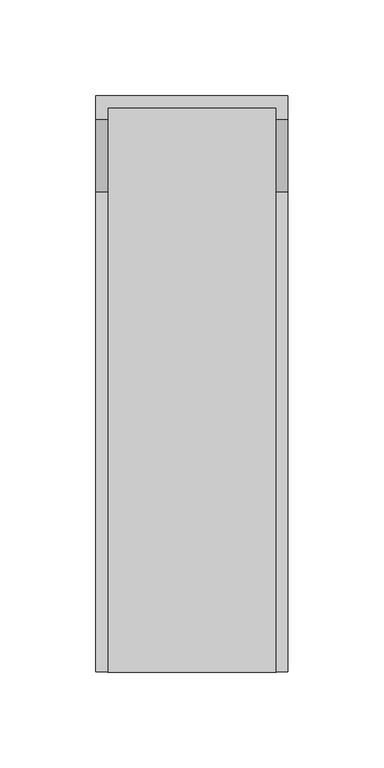
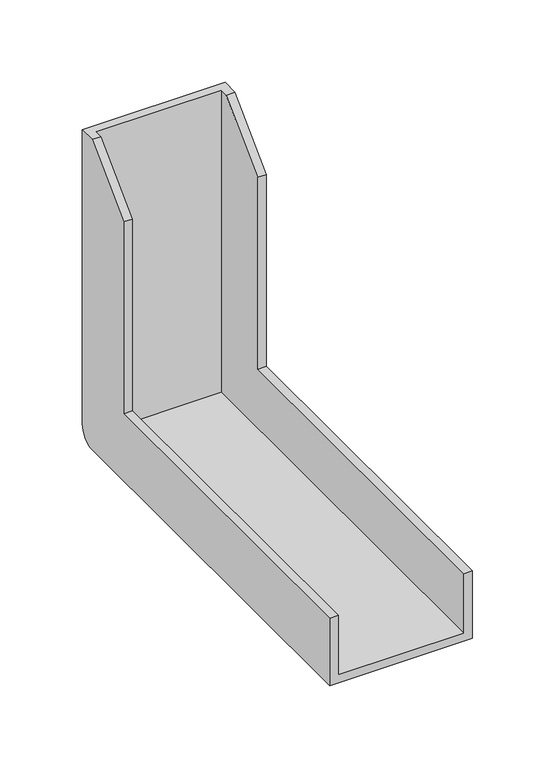
"""IFC4 building model written with IfcOpenShell, lengths in millimetres: proxy geometry."""

from ifc_helpers import new_model, si_unit, frame, origin, place, context, project, spatial, circle_curve, source, transform, mapped, element, save
from ifc_brep_helpers import plane_surface, cylinder_surface, advanced_brep


def specialty_equipment_5f6c42d9(model_context):
    return source(origin(), model_context, "Body", "AdvancedBrep", [
        advanced_brep(
        [(50.0, 288.0, 230.0), (50.0, 250.0, 192.0), (50.0, 250.0, 50.0), (50.0, 0.0, 50.0), (50.0, 0.0, 0.0), (50.0, 288.0, 0.0), (50.0, 300.0, 12.0), (50.0, 300.0, 230.0), (-50.0, 288.0, 230.0), (-50.0, 300.0, 230.0), (-50.0, 300.0, 12.0), (-50.0, 288.0, 0.0), (-50.0, 0.0, 0.0), (-50.0, 0.0, 50.0), (-50.0, 250.0, 50.0), (-50.0, 250.0, 192.0), (44.0, 250.0, 192.0), (44.0, 250.0, 50.0), (-44.0, 250.0, 50.0), (-44.0, 250.0, 192.0), (44.0, 0.0, 50.0), (-44.0, 0.0, 50.0), (44.0, 0.0, 6.0), (-44.0, 0.0, 6.0), (-44.0, 288.0, 230.0), (-44.0, 294.0, 230.0), (44.0, 294.0, 230.0), (44.0, 288.0, 230.0), (44.0, 294.0, 6.0), (-44.0, 294.0, 6.0)],
        [
            (0, 1),
            (1, 2),
            (2, 3),
            (3, 4),
            (4, 5),
            (5, 6, circle_curve(frame((50.0, 288.0, 12.0), z_axis=(1.0, 0.0, 0.0), x_axis=(0.0, 1.0, 0.0)), 12.0)),
            (6, 7),
            (7, 0),
            (8, 9),
            (9, 10),
            (10, 11, circle_curve(frame((-50.0, 288.0, 12.0), z_axis=(-1.0, 0.0, 0.0), x_axis=(0.0, 1.0, 0.0)), 12.0)),
            (11, 12),
            (12, 13),
            (13, 14),
            (14, 15),
            (15, 8),
            (1, 16),
            (16, 17),
            (17, 2),
            (14, 18),
            (18, 19),
            (19, 15),
            (17, 20),
            (20, 3),
            (13, 21),
            (21, 18),
            (20, 22),
            (22, 23),
            (23, 21),
            (12, 4),
            (11, 5),
            (10, 6),
            (9, 7),
            (8, 24),
            (24, 25),
            (25, 26),
            (26, 27),
            (27, 0),
            (28, 29),
            (29, 23),
            (22, 28),
            (28, 26),
            (25, 29),
            (24, 19),
            (16, 27),
        ],
        [
            plane_surface(frame((50.0, 288.0, 230.0), z_axis=(1.0, 0.0, 0.0), x_axis=(0.0, -0.7071067811865481, -0.7071067811865469))),
            plane_surface(frame((-50.0, 288.0, 230.0), z_axis=(-1.0, 0.0, 0.0), x_axis=(0.0, 0.7071067811865481, 0.7071067811865469))),
            plane_surface(frame((50.0, 250.0, 192.0), z_axis=(0.0, -1.0, 0.0), x_axis=(-1.0, 0.0, 0.0))),
            plane_surface(frame((50.0, 250.0, 50.0), z_axis=(0.0, 0.0, 1.0), x_axis=(-1.0, 0.0, 0.0))),
            plane_surface(frame((50.0, 0.0, 50.0), z_axis=(0.0, -1.0, 0.0), x_axis=(-1.0, 0.0, 0.0))),
            plane_surface(frame((50.0, 0.0, 0.0), z_axis=(0.0, 0.0, -1.0), x_axis=(-1.0, 0.0, 0.0))),
            cylinder_surface(frame((-50.0, 288.0, 12.0), z_axis=(1.0, 0.0, 0.0), x_axis=(0.0, 1.0, 0.0)), 12.0),
            plane_surface(frame((50.0, 300.0, 12.0), z_axis=(0.0, 1.0, 0.0), x_axis=(-1.0, 0.0, 0.0))),
            plane_surface(frame((50.0, 300.0, 230.0), z_axis=(0.0, 0.0, 1.0), x_axis=(-1.0, 0.0, 0.0))),
            plane_surface(frame((-30.3824594, 294.0, 6.0), z_axis=(0.0, 0.0, 1.0), x_axis=(1.0, 0.0, 0.0))),
            plane_surface(frame((44.0, 294.0, 230.0), z_axis=(0.0, -1.0, 0.0), x_axis=(0.0, 0.0, -1.0))),
            plane_surface(frame((-44.0, 294.0, 230.0), z_axis=(1.0, 0.0, 0.0), x_axis=(0.0, 0.0, -1.0))),
            plane_surface(frame((44.0, 0.0, 230.0), z_axis=(-1.0, 0.0, 0.0), x_axis=(0.0, 0.0, -1.0))),
            plane_surface(frame((50.0, 288.0, 230.0), z_axis=(0.0, -0.7071067811865469, 0.7071067811865481), x_axis=(-1.0, 0.0, 0.0))),
        ],
        [
            (0, [[1, 2, 3, 4, 5, 6, 7, 8]]),
            (1, [[9, 10, 11, 12, 13, 14, 15, 16]]),
            (2, [[-2, 17, 18, 19]]),
            (2, [[-15, 20, 21, 22]]),
            (3, [[-3, -19, 23, 24]]),
            (3, [[-14, 25, 26, -20]]),
            (4, [[-4, -24, 27, 28, 29, -25, -13, 30]]),
            (5, [[-5, -30, -12, 31]]),
            (6, [[-6, -31, -11, 32]]),
            (7, [[-7, -32, -10, 33]]),
            (8, [[-8, -33, -9, 34, 35, 36, 37, 38]]),
            (9, [[39, 40, -28, 41]]),
            (10, [[-39, 42, -36, 43]]),
            (11, [[-40, -43, -35, 44, -21, -26, -29]]),
            (12, [[-41, -27, -23, -18, 45, -37, -42]]),
            (13, [[-1, -38, -45, -17]]),
            (13, [[-16, -22, -44, -34]]),
        ],
    ),
    ])


if __name__ == "__main__":
    model = new_model("IFC4")
    model_context = context("Model", 3, world=origin())
    ifc_project = project(units=[si_unit("LENGTHUNIT", "METRE", prefix="MILLI")], contexts=[model_context])
    site = spatial("IfcSite", under=ifc_project)
    building = spatial("IfcBuilding", under=site)
    placement = place(None, origin())
    specialty_equipment_shape = specialty_equipment_5f6c42d9(model_context)
    element("IfcBuildingElementProxy", 1, Name="Specialty Equipment", at=placement, inside=building, context=model_context, shape_type="MappedRepresentation", body=[
        mapped(specialty_equipment_shape, transform((0.0, 0.0, 0.0), x_axis=(1.0, 0.0, 0.0), y_axis=(0.0, 1.0, 0.0), z_axis=(0.0, 0.0, 1.0))),
    ])
    save(model, "model.ifc")
